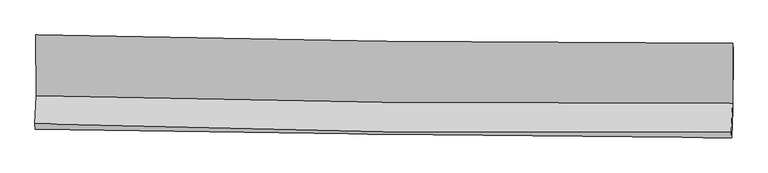
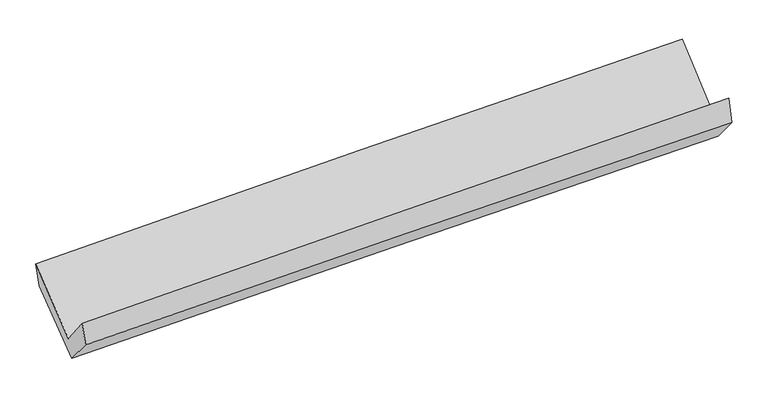
"""IFC4 building model written with IfcOpenShell, lengths in millimetres: proxy geometry."""

from ifc_helpers import new_model, si_unit, frame, origin, place, context, project, spatial, source, transform, mapped, element, save
from ifc_brep_helpers import plane_surface, spline_curve, spline_surface, advanced_brep


def generic_models_7ab6582a(model_context):
    return source(origin(), model_context, "Body", "AdvancedBrep", [
        advanced_brep(
        [(-2999.1674512, -1157.5452671, 2151.6387221), (-2995.9141313, -1678.3521205, 1729.3512806), (2986.7099995, -1744.4683884, 1871.3673203), (2986.6368019, -1228.2332491, 2315.8705333), (-3006.9954577, -1921.4815472, 2034.2070558), (2974.8884201, -1995.5606949, 2203.6620078), (-3002.9597164, -1968.5853715, 1846.9506631), (2978.6892668, -2041.0982208, 1988.9286685), (-2992.5693459, -1730.7383081, 1566.6544084), (2988.9973837, -1806.5439538, 1712.5131404), (-2995.1086715, -1205.7418384, 1962.8503871), (2990.1182058, -1285.8570379, 2105.5866098)],
        [
            (0, 1),
            (1, 2, spline_curve(3, [(-2995.9141313, -1678.3521205, 1729.3512806), (-1999.527349451, -1705.888625319, 1776.316114977), (-1002.723355954, -1725.166243702, 1811.633224579), (991.484883782, -1747.201121638, 1858.966434689), (1988.888933632, -1749.962258837, 1870.988005357), (2986.7099995, -1744.4683884, 1871.3673203)], [4, 2, 4], [0.0, 9.822537821024675, 19.642769077384155])),
            (2, 3),
            (3, 0, spline_curve(3, [(2986.6368019, -1228.2332491, 2315.8705333), (1988.581431206, -1228.873427357, 2306.516071357), (990.795266929, -1223.304272081, 2288.155521113), (-1004.472943769, -1199.744528601, 2233.415815042), (-2001.95486404, -1181.751023013, 2197.032428456), (-2999.1674512, -1157.5452671, 2151.6387221)], [4, 2, 4], [0.0, 9.820231256359481, 19.642769077384155])),
            (1, 4),
            (4, 5, spline_curve(3, [(-3006.9954577, -1921.4815472, 2034.2070558), (-2010.769359932, -1953.92378745, 2084.413016307), (-1014.107400963, -1976.317715099, 2123.637611461), (979.854096365, -2001.006045458, 2180.11743856), (1977.153430099, -2003.305167355, 2197.37782738), (2974.8884201, -1995.5606949, 2203.6620078)], [4, 2, 4], [0.0, 9.819767025756953, 19.637228137497107])),
            (5, 2),
            (4, 6),
            (6, 7, spline_curve(3, [(-3002.9597164, -1968.5853715, 1846.9506631), (-2006.248609731, -1984.822261053, 1880.763646647), (-1009.36375396, -1998.983909119, 1909.502432177), (984.519321771, -2023.153884507, 1956.826051217), (1981.517460813, -2033.16318625, 1975.41326723), (2978.6892668, -2041.0982208, 1988.9286685)], [4, 2, 4], [0.0, 9.81839912906279, 19.634492665323343])),
            (7, 5),
            (6, 8),
            (8, 9, spline_curve(3, [(-2992.5693459, -1730.7383081, 1566.6544084), (-1995.727256892, -1744.26927065, 1597.278629309), (-998.78377388, -1757.352578484, 1624.746690648), (995.071850514, -1782.620916565, 1673.364785741), (1991.983944026, -1794.806157663, 1694.516301558), (2988.9973837, -1806.5439538, 1712.5131404)], [4, 2, 4], [0.0, 9.81720300741638, 19.632100702908232])),
            (9, 7),
            (8, 10),
            (10, 11, spline_curve(3, [(-2995.1086715, -1205.7418384, 1962.8503871), (-1997.543848719, -1215.966349939, 1995.996263124), (-999.93395731, -1227.755839966, 2024.464734123), (995.141689481, -1254.461641688, 2072.041278571), (1992.607423901, -1269.377217739, 2091.151548706), (2990.1182058, -1285.8570379, 2105.5866098)], [4, 2, 4], [0.0, 9.820214298169699, 19.638122577292435])),
            (11, 9),
            (10, 0),
            (3, 11),
        ],
        [
            spline_surface(3, 3, [[(-2999.1674512, -1157.5452671, 2151.6387221), (-2001.954864093, -1181.751023157, 2197.032428509), (-1004.472943838, -1199.744528616, 2233.415815128), (990.795266998, -1223.304272066, 2288.155521028), (1988.581431124, -1228.873427257, 2306.516071456), (2986.6368019, -1228.2332491, 2315.8705333)], [(-2998.08301124, -1331.147551577, 2010.876241605), (-2001.14569255, -1356.463557183, 2056.793657385), (-1003.889747821, -1374.885100346, 2092.821618237), (991.025139239, -1397.936555202, 2145.092492237), (1988.683931966, -1402.569704455, 2161.340049367), (2986.661201088, -1400.311628878, 2167.70279561)], [(-2996.99857126, -1504.749836023, 1870.113761095), (-2000.336520988, -1531.176091177, 1916.554886244), (-1003.306551857, -1550.025672106, 1952.227421424), (991.255011427, -1572.568838368, 2002.029463524), (1988.786432844, -1576.265981619, 2016.164027347), (2986.685600312, -1572.390008622, 2019.53505799)], [(-2995.9141313, -1678.3521205, 1729.3512806), (-1999.527349445, -1705.888625203, 1776.31611512), (-1002.72335584, -1725.166243836, 1811.633224534), (991.484883668, -1747.201121504, 1858.966434734), (1988.888933686, -1749.962258818, 1870.988005257), (2986.7099995, -1744.4683884, 1871.3673203)]], [4, 4], [4, 2, 4], [0.0, 2.216222519117453], [0.0, 9.822537821024675, 19.642769077384155]),
            spline_surface(3, 3, [[(-2995.9141313, -1678.3521205, 1729.3512806), (-1999.527349445, -1705.888625203, 1776.31611512), (-1002.72335584, -1725.166243836, 1811.633224534), (991.484883668, -1747.201121504, 1858.966434734), (1988.888933686, -1749.962258818, 1870.988005257), (2986.7099995, -1744.4683884, 1871.3673203)], [(-2999.607906755, -1759.395262725, 1830.969872328), (-2003.274686219, -1788.56701261, 1879.015082168), (-1006.518037542, -1808.883400881, 1915.634686832), (987.607954546, -1831.802762876, 1966.016769373), (1984.977099155, -1834.409894979, 1979.784612682), (2982.76947303, -1828.165823907, 1982.132216135)], [(-3003.301682245, -1840.438404975, 1932.588464072), (-2007.022023028, -1871.245400042, 1981.714049232), (-1010.312719222, -1892.600557909, 2019.636149101), (983.731025447, -1916.404404231, 2073.067103983), (1981.065264634, -1918.857531118, 2088.581220103), (2978.82894657, -1911.863259393, 2092.897111965)], [(-3006.9954577, -1921.4815472, 2034.2070558), (-2010.769359802, -1953.923787449, 2084.41301628), (-1014.107400924, -1976.317714954, 2123.637611398), (979.854096326, -2001.006045603, 2180.117438622), (1977.153430103, -2003.30516728, 2197.377827529), (2974.8884201, -1995.5606949, 2203.6620078)]], [4, 4], [4, 2, 4], [0.0, 1.3290368583874614], [0.0, 9.819767025756953, 19.637228137497107]),
            spline_surface(3, 3, [[(-3006.9954577, -1921.4815472, 2034.2070558), (-2010.769359802, -1953.923787449, 2084.41301628), (-1014.107400924, -1976.317714954, 2123.637611398), (979.854096326, -2001.006045603, 2180.117438622), (1977.153430103, -2003.30516728, 2197.377827529), (2974.8884201, -1995.5606949, 2203.6620078)], [(-3005.650210607, -1937.182821968, 1971.788258214), (-2009.262443108, -1964.223278661, 2016.529893009), (-1012.526185303, -1983.873113032, 2052.259218334), (981.409171524, -2008.388658546, 2105.686976152), (1978.60810698, -2013.257840191, 2123.389640791), (2976.155369012, -2010.73987017, 2132.084228035)], [(-3004.304963493, -1952.884096732, 1909.369460686), (-2007.755526393, -1974.52276987, 1948.646769795), (-1010.944969707, -1991.428511112, 1980.880825259), (982.964246698, -2015.771271491, 2031.25651367), (1980.062783822, -2023.210513193, 2049.401454048), (2977.422317888, -2025.91904553, 2060.506448265)], [(-3002.9597164, -1968.5853715, 1846.9506631), (-2006.2486097, -1984.822261083, 1880.763646523), (-1009.363754086, -1998.983909191, 1909.502432195), (984.519321896, -2023.153884434, 1956.826051199), (1981.5174607, -2033.163186104, 1975.41326731), (2978.6892668, -2041.0982208, 1988.9286685)]], [4, 4], [4, 2, 4], [0.0, 0.7214807789821482], [0.0, 9.81839912906279, 19.634492665323343]),
            spline_surface(3, 3, [[(-3002.9597164, -1968.5853715, 1846.9506631), (-2006.2486097, -1984.822261083, 1880.763646523), (-1009.363754086, -1998.983909191, 1909.502432195), (984.519321896, -2023.153884434, 1956.826051199), (1981.5174607, -2033.163186104, 1975.41326731), (2978.6892668, -2041.0982208, 1988.9286685)], [(-2999.496259571, -1889.303017059, 1753.518578204), (-2002.741492058, -1904.63793097, 1786.268640735), (-1005.837093961, -1918.440132248, 1814.583851648), (988.036831404, -1942.97622852, 1862.33896273), (1985.006288432, -1953.710843281, 1881.780945445), (2982.125305754, -1962.91346514, 1896.79015914)], [(-2996.032802729, -1810.020662541, 1660.086493296), (-1999.234374404, -1824.453600782, 1691.773634936), (-1002.310433873, -1837.896355304, 1719.665271123), (991.554340874, -1862.798572603, 1767.851874283), (1988.495116204, -1874.258500436, 1788.148623561), (2985.561344746, -1884.72870946, 1804.65164976)], [(-2992.5693459, -1730.7383081, 1566.6544084), (-1995.727256762, -1744.26927067, 1597.278629148), (-998.783773748, -1757.352578361, 1624.746690576), (995.071850382, -1782.620916688, 1673.364785813), (1991.983943936, -1794.806157612, 1694.516301696), (2988.9973837, -1806.5439538, 1712.5131404)]], [4, 4], [4, 2, 4], [0.0, 1.2229659723967126], [0.0, 9.81720300741638, 19.632100702908232]),
            spline_surface(3, 3, [[(-2992.5693459, -1730.7383081, 1566.6544084), (-1995.727256762, -1744.26927067, 1597.278629148), (-998.783773748, -1757.352578361, 1624.746690576), (995.071850382, -1782.620916688, 1673.364785813), (1991.983943936, -1794.806157612, 1694.516301696), (2988.9973837, -1806.5439538, 1712.5131404)], [(-2993.415787775, -1555.739484861, 1698.719734661), (-1996.33278742, -1568.168297095, 1730.184507204), (-999.167168292, -1580.820332275, 1757.986038435), (995.095130108, -1606.567824958, 1806.25695006), (1992.191770635, -1619.663177711, 1826.728050651), (2989.370991085, -1632.981648512, 1843.537630193)], [(-2994.262229625, -1380.740661639, 1830.785060839), (-1996.938318054, -1392.067323539, 1863.090385176), (-999.55056284, -1404.288086216, 1891.225386288), (995.11840983, -1430.514733255, 1939.149114301), (1992.399597277, -1444.520197775, 1958.939799628), (2989.744598415, -1459.419343188, 1974.562120007)], [(-2995.1086715, -1205.7418384, 1962.8503871), (-1997.543848712, -1215.966349965, 1995.996263232), (-999.933957384, -1227.75584013, 2024.464734146), (995.141689556, -1254.461641525, 2072.041278548), (1992.607423976, -1269.377217873, 2091.151548583), (2990.1182058, -1285.8570379, 2105.5866098)]], [4, 4], [4, 2, 4], [0.0, 2.1739642634674348], [0.0, 9.820214298169699, 19.638122577292435]),
            spline_surface(3, 3, [[(-2995.1086715, -1205.7418384, 1962.8503871), (-1997.543848712, -1215.966349965, 1995.996263232), (-999.933957384, -1227.75584013, 2024.464734146), (995.141689556, -1254.461641525, 2072.041278548), (1992.607423976, -1269.377217873, 2091.151548583), (2990.1182058, -1285.8570379, 2105.5866098)], [(-2996.461598053, -1189.67631461, 2025.779832087), (-1999.014187158, -1204.561241006, 2063.008318311), (-1001.446952901, -1218.418736305, 2094.115094491), (993.692882004, -1244.075851719, 2144.079359393), (1991.265426356, -1255.875954328, 2162.939722895), (2988.957737831, -1266.649108293, 2175.681250988)], [(-2997.814524647, -1173.61079089, 2088.709277113), (-2000.484525646, -1193.156132116, 2130.02037343), (-1002.959948321, -1209.08163244, 2163.765454782), (992.24407455, -1233.690061872, 2216.117440183), (1989.923428743, -1242.374690803, 2234.727897144), (2987.797269869, -1247.441178707, 2245.775892112)], [(-2999.1674512, -1157.5452671, 2151.6387221), (-2001.954864093, -1181.751023157, 2197.032428509), (-1004.472943838, -1199.744528616, 2233.415815128), (990.795266998, -1223.304272066, 2288.155521028), (1988.581431124, -1228.873427257, 2306.516071456), (2986.6368019, -1228.2332491, 2315.8705333)]], [4, 4], [4, 2, 4], [0.0, 0.7041566312880138], [0.0, 9.824175677902604, 19.646044406532404]),
            plane_surface(frame((2984.340013, -1683.6269242, 2032.9880467), z_axis=(0.9995959780506318, -0.018464518686513227, 0.02160884575067388), x_axis=(0.0017180042266461647, 0.7981126330752407, 0.6025058285088896))),
            plane_surface(frame((-2998.7857956, -1610.4074088, 1881.9420862), z_axis=(-0.9995857700932601, 0.014099461324980765, -0.02508970739983896), x_axis=(0.02082646695820201, -0.24730692118129555, -0.9687133451180836))),
        ],
        [
            (0, [[1, 2, 3, 4]]),
            (1, [[5, 6, 7, -2]]),
            (2, [[8, 9, 10, -6]]),
            (3, [[11, 12, 13, -9]]),
            (4, [[14, 15, 16, -12]]),
            (5, [[17, -4, 18, -15]]),
            (6, [[-16, -18, -3, -7, -10, -13]]),
            (7, [[-17, -14, -11, -8, -5, -1]]),
        ],
    ),
    ])


if __name__ == "__main__":
    model = new_model("IFC4")
    model_context = context("Model", 3, world=origin())
    ifc_project = project(units=[si_unit("LENGTHUNIT", "METRE", prefix="MILLI")], contexts=[model_context])
    site = spatial("IfcSite", under=ifc_project)
    building = spatial("IfcBuilding", under=site)
    placement = place(None, origin())
    generic_models_shape = generic_models_7ab6582a(model_context)
    element("IfcBuildingElementProxy", 1, Name="Generic Models", at=placement, inside=building, context=model_context, shape_type="MappedRepresentation", body=[
        mapped(generic_models_shape, transform((0.0, 0.0, 0.0), x_axis=(1.0, 0.0, 0.0), y_axis=(0.0, 1.0, 0.0), z_axis=(0.0, 0.0, 1.0))),
    ])
    save(model, "model.ifc")
